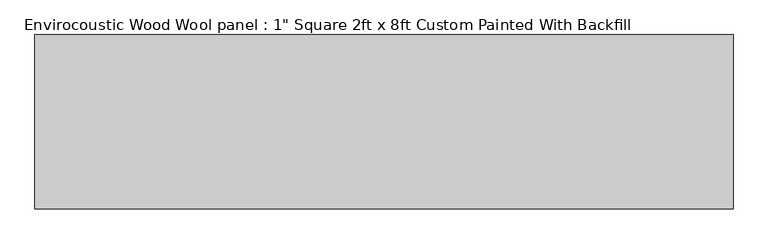
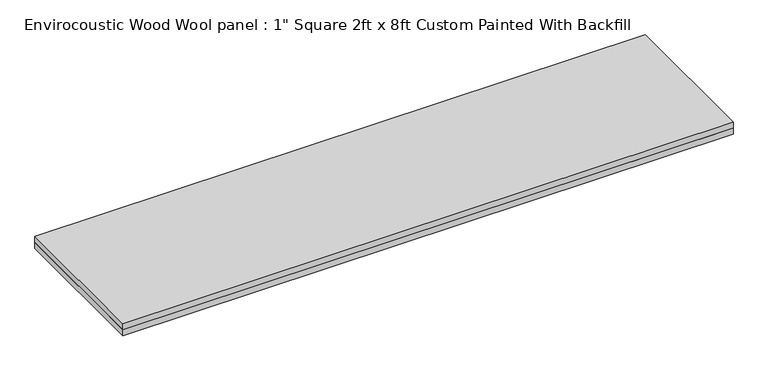
"""IFC4 building model written with IfcOpenShell, lengths in millimetres: proxy geometry."""

from ifc_helpers import new_model, si_unit, frame, origin, origin_with_axes, place, context, project, spatial, polyline, outline, extrude, source, transform, mapped, element, save


def proxy_46b84260(model_context):
    return source(origin(), model_context, "Body", "SweptSolid", [
        extrude(outline(polyline([(1219.2, 304.8), (1219.2, -304.8), (-1219.2, -304.8), (-1219.2, 304.8), (1219.2, 304.8)])), origin_with_axes(), (0.0, 0.0, 1.0), 25.4),
        extrude(outline(polyline([(-1219.2, 304.8), (1219.2, 304.8), (1219.2, -304.8), (-1219.2, -304.8), (-1219.2, 304.8)])), frame((0.0, 0.0, 25.4), z_axis=(0.0, 0.0, 1.0), x_axis=(1.0, 0.0, 0.0)), (0.0, 0.0, 1.0), 25.4),
    ])


if __name__ == "__main__":
    model = new_model("IFC4")
    model_context = context("Model", 3, world=origin())
    ifc_project = project(units=[si_unit("LENGTHUNIT", "METRE", prefix="MILLI")], contexts=[model_context])
    site = spatial("IfcSite", under=ifc_project)
    building = spatial("IfcBuilding", under=site)
    placement = place(None, origin())
    proxy_shape = proxy_46b84260(model_context)
    element("IfcBuildingElementProxy", 1, Name="Envirocoustic Wood Wool panel : 1\" Square 2ft x 8ft Custom Painted With Backfill", ObjectType="Envirocoustic Wood Wool panel : 1\" Square 2ft x 8ft Custom Painted With Backfill", at=placement, inside=building, context=model_context, shape_type="MappedRepresentation", body=[
        mapped(proxy_shape, transform((0.0, 0.0, 0.0), x_axis=(1.0, 0.0, 0.0), y_axis=(0.0, 1.0, 0.0), z_axis=(0.0, 0.0, 1.0))),
    ])
    save(model, "model.ifc")
